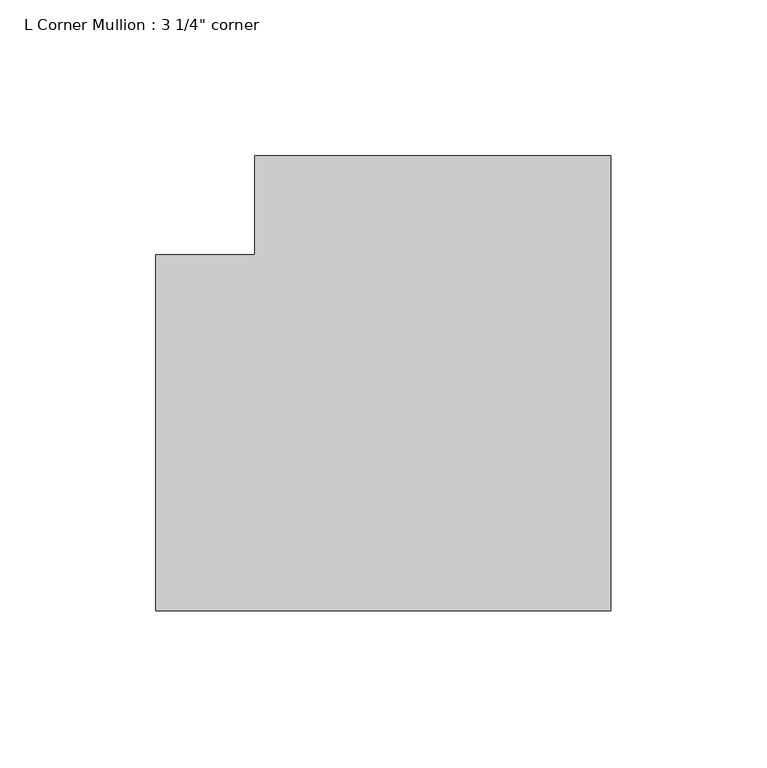
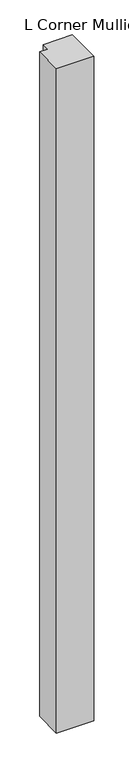
"""IFC4 building model written with IfcOpenShell, lengths in millimetres: member geometry."""

from ifc_helpers import new_model, si_unit, frame, origin, place, context, project, spatial, polyline, outline, extrude, source, transform, mapped, element, save


def member_737d578f(model_context):
    return source(origin(), model_context, "Body", "SweptSolid", [
        extrude(outline(polyline([(57.15, 88.9), (57.15, -57.15), (-88.9, -57.15), (-88.9, 57.15), (-57.15, 57.15), (-57.15, 88.9), (57.15, 88.9)])), frame((0.0, 0.0, -2743.2), z_axis=(0.0, 0.0, 1.0), x_axis=(1.0, 0.0, 0.0)), (0.0, 0.0, 1.0), 2743.2),
    ])


if __name__ == "__main__":
    model = new_model("IFC4")
    model_context = context("Model", 3, world=origin())
    ifc_project = project(units=[si_unit("LENGTHUNIT", "METRE", prefix="MILLI")], contexts=[model_context])
    site = spatial("IfcSite", under=ifc_project)
    building = spatial("IfcBuilding", under=site)
    placement = place(None, origin())
    member_shape = member_737d578f(model_context)
    element("IfcMember", 1, ObjectType="L Corner Mullion : 3 1/4\" corner", at=placement, inside=building, context=model_context, shape_type="MappedRepresentation", body=[
        mapped(member_shape, transform((0.0, 0.0, 0.0), x_axis=(1.0, 0.0, 0.0), y_axis=(0.0, 1.0, 0.0), z_axis=(0.0, 0.0, 1.0))),
    ])
    save(model, "model.ifc")
